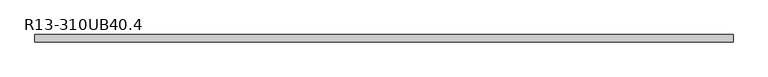
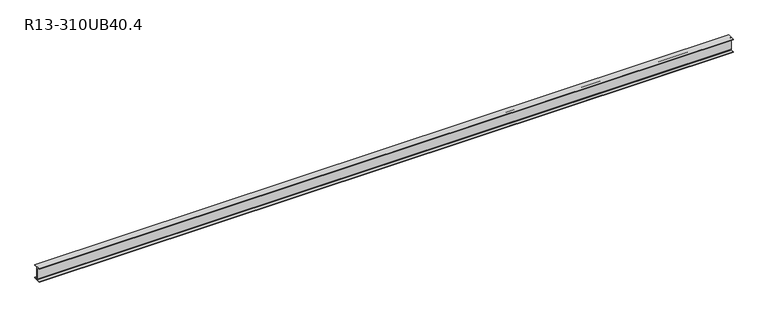
"""IFC4 building model written with IfcOpenShell, lengths in millimetres: beam geometry, R13-310UB40.4."""

from ifc_helpers import new_model, si_unit, point, frame, frame_2d, origin, place, context, project, spatial, polyline, circle_curve, trimmed, segment, composite_curve, outline, extrude, source, transform, mapped, element, save


def r13_310ub40_4_b29d5a16(model_context):
    return source(origin(), model_context, "Body", "SweptSolid", [
        extrude(outline(composite_curve([segment(polyline([(-82.5, -141.8), (-14.45, -141.8)]), True, "CONTINUOUS"), segment(trimmed(circle_curve(frame_2d((-14.45, -130.4)), 11.4), [point((-14.45, -141.8))], [point((-3.05, -130.4))], True, "CARTESIAN"), True, "CONTINUOUS"), segment(polyline([(-3.05, -130.4), (-3.05, 130.4)]), True, "CONTINUOUS"), segment(trimmed(circle_curve(frame_2d((-14.45, 130.4)), 11.4), [point((-3.05, 130.4))], [point((-14.45, 141.8))], True, "CARTESIAN"), True, "CONTINUOUS"), segment(polyline([(-14.45, 141.8), (-82.5, 141.8), (-82.5, 152.0), (82.5, 152.0), (82.5, 141.8), (14.45, 141.8)]), True, "CONTINUOUS"), segment(trimmed(circle_curve(frame_2d((14.45, 130.4)), 11.4), [point((14.45, 141.8))], [point((3.05, 130.4))], True, "CARTESIAN"), True, "CONTINUOUS"), segment(polyline([(3.05, 130.4), (3.05, -130.4)]), True, "CONTINUOUS"), segment(trimmed(circle_curve(frame_2d((14.45, -130.4)), 11.4), [point((3.05, -130.4))], [point((14.45, -141.8))], True, "CARTESIAN"), True, "CONTINUOUS"), segment(polyline([(14.45, -141.8), (82.5, -141.8), (82.5, -152.0), (-82.5, -152.0), (-82.5, -141.8)]), True, "CONTINUOUS")], self_intersect=False)), frame((-7617.0, 0.0, 0.0), z_axis=(1.0, 0.0, 0.0), x_axis=(0.0, 1.0, 0.0)), (0.0, 0.0, 1.0), 15300.0),
    ])


if __name__ == "__main__":
    model = new_model("IFC4")
    model_context = context("Model", 3, world=origin())
    ifc_project = project(units=[si_unit("LENGTHUNIT", "METRE", prefix="MILLI")], contexts=[model_context])
    site = spatial("IfcSite", under=ifc_project)
    building = spatial("IfcBuilding", under=site)
    placement = place(None, origin())
    r13_310ub40_4_shape = r13_310ub40_4_b29d5a16(model_context)
    element("IfcBeam", 1, ObjectType="R13-310UB40.4", at=placement, inside=building, context=model_context, shape_type="MappedRepresentation", body=[
        mapped(r13_310ub40_4_shape, transform((0.0, 0.0, 0.0), x_axis=(1.0, 0.0, 0.0), y_axis=(0.0, 1.0, 0.0), z_axis=(0.0, 0.0, 1.0))),
    ])
    save(model, "model.ifc")
